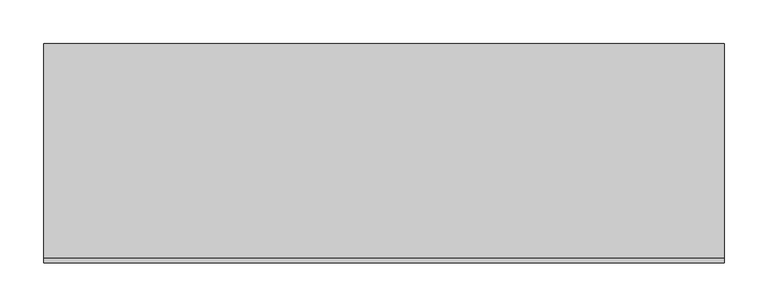
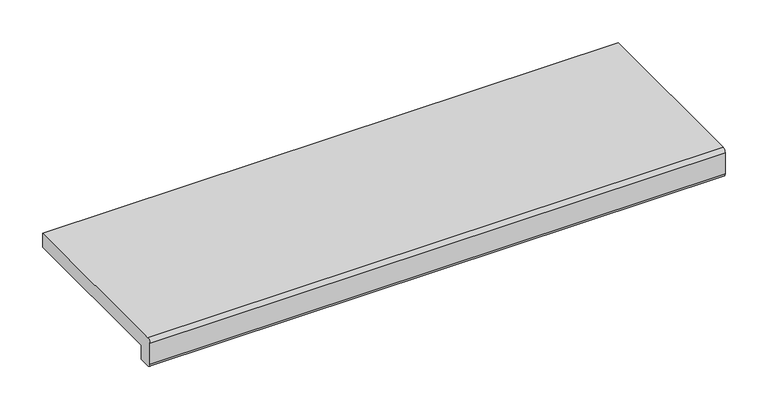
"""IFC4 building model written with IfcOpenShell, lengths in millimetres: proxy geometry."""

from ifc_helpers import new_model, si_unit, point, frame, frame_2d, origin, place, context, project, spatial, polyline, circle_curve, trimmed, segment, composite_curve, outline, extrude, source, transform, mapped, element, save


def generic_models_ca4e98cc(model_context):
    return source(origin(), model_context, "Body", "SweptSolid", [
        extrude(outline(composite_curve([segment(polyline([(-245.0, 30.0), (0.0, 30.0), (0.0, 10.0), (-230.0, 10.0), (-230.0, -10.0), (-245.0, -10.0)]), True, "CONTINUOUS"), segment(trimmed(circle_curve(frame_2d((-245.0, -5.0)), 5.0), [point((-245.0, -10.0))], [point((-250.0, -5.0))], False, "CARTESIAN"), True, "CONTINUOUS"), segment(polyline([(-250.0, -5.0), (-250.0, 25.0)]), True, "CONTINUOUS"), segment(trimmed(circle_curve(frame_2d((-245.0, 25.0)), 5.0), [point((-250.0, 25.0))], [point((-245.0, 30.0))], False, "CARTESIAN"), True, "CONTINUOUS")], self_intersect=False)), frame((-387.5, 0.0, 0.0), z_axis=(1.0, 0.0, 0.0), x_axis=(0.0, 1.0, 0.0)), (0.0, 0.0, 1.0), 775.0),
    ])


if __name__ == "__main__":
    model = new_model("IFC4")
    model_context = context("Model", 3, world=origin())
    ifc_project = project(units=[si_unit("LENGTHUNIT", "METRE", prefix="MILLI")], contexts=[model_context])
    site = spatial("IfcSite", under=ifc_project)
    building = spatial("IfcBuilding", under=site)
    placement = place(None, origin())
    generic_models_shape = generic_models_ca4e98cc(model_context)
    element("IfcBuildingElementProxy", 1, Name="Generic Models", at=placement, inside=building, context=model_context, shape_type="MappedRepresentation", body=[
        mapped(generic_models_shape, transform((0.0, 0.0, 0.0), x_axis=(1.0, 0.0, 0.0), y_axis=(0.0, 1.0, 0.0), z_axis=(0.0, 0.0, 1.0))),
    ])
    save(model, "model.ifc")
